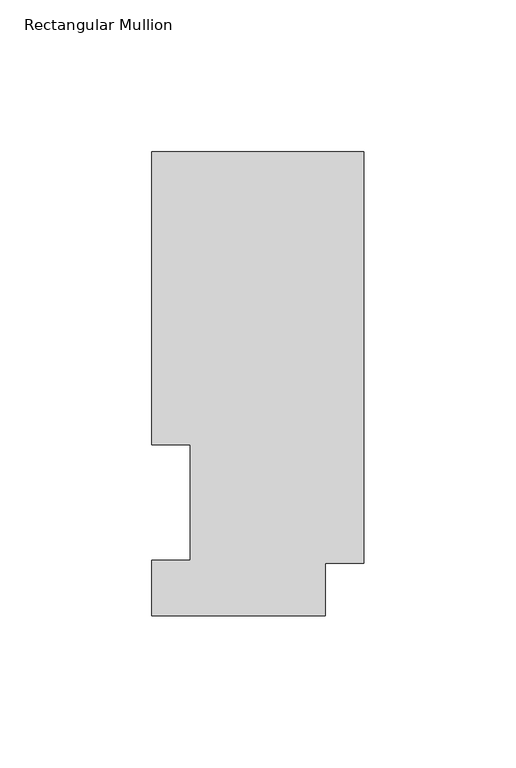
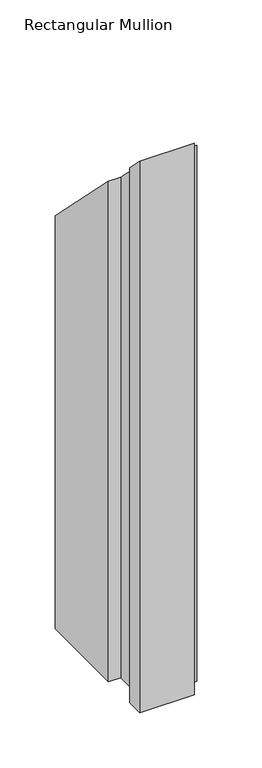
"""IFC4 building model written with IfcOpenShell, lengths in millimetres: member geometry, Rectangular Mullion."""

import ifcopenshell
import ifcopenshell.guid

model = None  # the IFC model being written
_history = None  # IfcOwnerHistory: only IFC2X3 demands one
_inside = {}  # id of a spatial element -> (the spatial element, [elements in it])
_under = {}  # id of a project, library or spatial element -> (it, [spatial elements below it])
_declared = {}  # id of a project -> (the project, [libraries it declares])
_typed = {}  # id of a type object -> (the type object, [elements of that type])
_made_of = {}  # id of a material, layer set ... -> (it, [elements and type objects made of it])


def new_model(schema):
    """Start an empty IFC model of exactly this schema.

    Asked for "IFC4X3", IfcOpenShell would pick the latest addendum, in which some entities
    have other attributes; the version numbers below select the first issue.
    IFC2X3 requires an IfcOwnerHistory on every rooted entity: one is made here for all.
    """
    global model, _history
    if schema == "IFC4X3":
        model = ifcopenshell.file(schema_version=(4, 3, 0, 0))
    else:
        model = ifcopenshell.file(schema=schema)
    _inside.clear()
    _under.clear()
    _declared.clear()
    _typed.clear()
    _made_of.clear()
    _history = None
    if model.schema == "IFC2X3":
        org = make("IfcOrganization", Name="unknown")
        user = make(
            "IfcPersonAndOrganization",
            ThePerson=make("IfcPerson", FamilyName="unknown"),
            TheOrganization=org,
        )
        app = make(
            "IfcApplication",
            ApplicationDeveloper=org,
            Version="unknown",
            ApplicationFullName="unknown",
            ApplicationIdentifier="unknown",
        )
        _history = make(
            "IfcOwnerHistory",
            OwningUser=user,
            OwningApplication=app,
            ChangeAction="ADDED",
            CreationDate=0,
        )
    return model


def make(cls, **values):
    """One entity of the class cls with the attributes given. An attribute that is None is left unset."""
    return model.create_entity(
        cls, **{name: value for name, value in values.items() if value is not None}
    )


def rooted(cls, **values):
    """An entity with a GlobalId (a new one), such as an element, a storey or a relation."""
    return make(cls, GlobalId=ifcopenshell.guid.new(), OwnerHistory=_history, **values)


def si_unit(unit_type, name, prefix=None):
    """IfcSIUnit, for example si_unit("LENGTHUNIT", "METRE", prefix="MILLI")."""
    return make("IfcSIUnit", UnitType=unit_type, Prefix=prefix, Name=name)


def assignment(units):
    """IfcUnitAssignment: the units of a project."""
    return None if units is None else make("IfcUnitAssignment", Units=units)


def point(xyz):
    """IfcCartesianPoint."""
    return None if xyz is None else make("IfcCartesianPoint", Coordinates=xyz)


def direction(xyz):
    """IfcDirection."""
    return None if xyz is None else make("IfcDirection", DirectionRatios=xyz)


def frame(location, z_axis=None, x_axis=None):
    """IfcAxis2Placement3D, a coordinate frame: its origin and axes. An axis left out is left unset."""
    return make(
        "IfcAxis2Placement3D",
        Location=point(location),
        Axis=direction(z_axis),
        RefDirection=direction(x_axis),
    )


def origin():
    """The frame at (0, 0, 0) with its axes left unset."""
    return frame((0.0, 0.0, 0.0))


def place(relative_to, where):
    """IfcLocalPlacement: puts the frame where relative to a parent placement (None: the world)."""
    return make(
        "IfcLocalPlacement", PlacementRelTo=relative_to, RelativePlacement=where
    )


def context(
    kind, dimensions, precision=None, world=None, true_north=None, identifier=None
):
    """IfcGeometricRepresentationContext, for example the 3D "Model" context."""
    return make(
        "IfcGeometricRepresentationContext",
        ContextIdentifier=identifier,
        ContextType=kind,
        CoordinateSpaceDimension=dimensions,
        Precision=precision,
        WorldCoordinateSystem=world,
        TrueNorth=true_north,
    )


def project(units=None, contexts=None):
    """IfcProject with its units and contexts."""
    return rooted(
        "IfcProject",
        Name="project",
        RepresentationContexts=contexts,
        UnitsInContext=assignment(units),
    )


def spatial(cls, under=None, at=None, **own):
    """A site, building, storey or space (cls), placed at a placement, below another one or the project."""
    s = rooted(cls, ObjectPlacement=at, **own)
    if under is not None:
        _under.setdefault(under.id(), (under, []))[1].append(s)
    return s


def faces_of(points, faces, orient=None, outer=None):
    """IfcFace entities. A face is a list of loops; a loop is a list of indices into points, from 0.

    orient and outer hold one flag for each loop. By default every Orientation is true, the
    first loop of a face is its IfcFaceOuterBound and the others are IfcFaceBound.
    """
    made = []
    for i, loops in enumerate(faces):
        bounds = []
        for j, loop in enumerate(loops):
            is_outer = j == 0 if outer is None else outer[i][j]
            bounds.append(
                make(
                    "IfcFaceOuterBound" if is_outer else "IfcFaceBound",
                    Bound=make("IfcPolyLoop", Polygon=[points[k] for k in loop]),
                    Orientation=True if orient is None else orient[i][j],
                )
            )
        made.append(make("IfcFace", Bounds=bounds))
    return made


def faceted_brep(points, faces, orient=None, outer=None, voids=None):
    """IfcFacetedBrep: a solid bounded by flat faces; with voids (closed shells), ...WithVoids."""
    shared = [point(p) for p in points]
    hull = make("IfcClosedShell", CfsFaces=faces_of(shared, faces, orient, outer))
    if voids is None:
        return make("IfcFacetedBrep", Outer=hull)
    return make(
        "IfcFacetedBrepWithVoids",
        Outer=hull,
        Voids=[
            make(cls, CfsFaces=faces_of(shared, fs, o, b)) for cls, fs, o, b in voids
        ],
    )


def shape(context_of_items, identifier, shape_type, items):
    """IfcShapeRepresentation: the items that make up one representation, for example the "Body"."""
    return make(
        "IfcShapeRepresentation",
        ContextOfItems=context_of_items,
        RepresentationIdentifier=identifier,
        RepresentationType=shape_type,
        Items=items,
    )


def source(mapping_origin, context_of_items, identifier, shape_type, items):
    """IfcRepresentationMap: a shape defined once, which mapped items show again and again."""
    return make(
        "IfcRepresentationMap",
        MappingOrigin=mapping_origin,
        MappedRepresentation=shape(context_of_items, identifier, shape_type, items),
    )


def transform(
    local_origin,
    x_axis=None,
    y_axis=None,
    z_axis=None,
    scale=None,
    scale2=None,
    scale3=None,
    uniform=True,
):
    """IfcCartesianTransformationOperator3D, or its non-uniform kind. x_axis, y_axis, z_axis: its Axis1, 2, 3."""
    if uniform:
        return make(
            "IfcCartesianTransformationOperator3D",
            Axis1=direction(x_axis),
            Axis2=direction(y_axis),
            LocalOrigin=point(local_origin),
            Scale=scale,
            Axis3=direction(z_axis),
        )
    return make(
        "IfcCartesianTransformationOperator3DnonUniform",
        Axis1=direction(x_axis),
        Axis2=direction(y_axis),
        LocalOrigin=point(local_origin),
        Scale=scale,
        Axis3=direction(z_axis),
        Scale2=scale2,
        Scale3=scale3,
    )


def mapped(mapping_source, mapping_target):
    """IfcMappedItem: shows the shape of a source again, moved by a transform."""
    return make(
        "IfcMappedItem", MappingSource=mapping_source, MappingTarget=mapping_target
    )


def made_of(thing, what):
    """Note that an element or type object is made of a material, layer set ...; save() writes the relation."""
    if what is not None:
        _made_of.setdefault(what.id(), (what, []))[1].append(thing)
    return thing


def element(
    cls,
    number,
    at=None,
    inside=None,
    cuts=None,
    type_object=None,
    material=None,
    context=None,
    identifier="Body",
    shape_type=None,
    held_by="IfcProductDefinitionShape",
    body=None,
    shapes=None,
    **own,
):
    """One element of the class cls, such as IfcWall. Its Tag is "e" and its number.

    at: its placement. inside: the storey or other place that contains it. cuts: it is an
    opening in that element (IfcRelVoidsElement). A single representation is given by context,
    identifier, shape_type and body (its items); several are given by shapes. held_by: the class
    of the entity that holds the representations. save() writes the other relations.
    """
    e = rooted(cls, Tag="e%d" % number, ObjectPlacement=at, **own)
    if body is not None:
        shapes = [shape(context, identifier, shape_type, body)]
    if shapes is not None:
        e.Representation = make(held_by, Representations=shapes)
    if inside is not None:
        _inside.setdefault(inside.id(), (inside, []))[1].append(e)
    if cuts is not None:
        rooted(
            "IfcRelVoidsElement", RelatingBuildingElement=cuts, RelatedOpeningElement=e
        )
    if type_object is not None:
        _typed.setdefault(type_object.id(), (type_object, []))[1].append(e)
    return made_of(e, material)


def aggregate(whole, parts):
    """IfcRelAggregates: a whole, such as a stair, and the parts it consists of."""
    return rooted("IfcRelAggregates", RelatingObject=whole, RelatedObjects=parts)


def save(model, path):
    """Write the relations noted so far, then the file.

    IfcRelAggregates (storeys below a building ...), IfcRelContainedInSpatialStructure (elements
    in a storey), IfcRelDefinesByType, IfcRelAssociatesMaterial and IfcRelDeclares: one each for
    every whole, place, type object, material and project.
    """
    for whole, parts in _under.values():
        aggregate(whole, parts)
    for where, things in _inside.values():
        rooted(
            "IfcRelContainedInSpatialStructure",
            RelatedElements=things,
            RelatingStructure=where,
        )
    for kind, things in _typed.values():
        rooted("IfcRelDefinesByType", RelatedObjects=things, RelatingType=kind)
    for what, things in _made_of.values():
        rooted("IfcRelAssociatesMaterial", RelatedObjects=things, RelatingMaterial=what)
    for by, libraries in _declared.values():
        rooted("IfcRelDeclares", RelatingContext=by, RelatedDefinitions=libraries)
    model.write(path)


def rectangular_mullion_e4a562a6(model_context):
    return source(origin(), model_context, "Body", "Brep", [
        faceted_brep([(0.0, 152.7492337, -609.6), (0.0, 17.2502333, -609.6), (-12.7, 17.2502333, -609.6), (-12.7, -0.0317663, -609.6), (-69.85, -0.0317663, -609.6), (-69.85, 18.2562337, -609.6), (-57.15, 18.2562337, -609.6), (-57.15, 56.3562337, -609.6), (-69.85, 56.3562337, -609.6), (-69.85, 152.7492337, -609.6), (-69.85, 152.7492337, -152.7492337), (0.0, 152.7492337, -152.7492337), (-69.85, 56.3562337, -56.3562337), (-57.15, 56.3562337, -56.3562337), (-57.15, 18.2562337, -18.2562337), (-69.85, 18.2562337, -18.2562337), (-69.85, -0.0317663, 0.0317663), (-12.7, -0.0317663, 0.0317663), (-12.7, 17.2502333, -17.2502333), (0.0, 17.2502333, -17.2502333)], [[[0, 1, 2, 3, 4, 5, 6, 7, 8, 9]], [[10, 11, 0, 9]], [[12, 10, 9, 8]], [[13, 12, 8, 7]], [[14, 13, 7, 6]], [[15, 14, 6, 5]], [[16, 15, 5, 4]], [[17, 16, 4, 3]], [[18, 17, 3, 2]], [[19, 18, 2, 1]], [[11, 19, 1, 0]], [[11, 10, 12, 13, 14, 15, 16, 17, 18, 19]]]),
    ])


if __name__ == "__main__":
    model = new_model("IFC4")
    model_context = context("Model", 3, world=origin())
    ifc_project = project(units=[si_unit("LENGTHUNIT", "METRE", prefix="MILLI")], contexts=[model_context])
    site = spatial("IfcSite", under=ifc_project)
    building = spatial("IfcBuilding", under=site)
    placement = place(None, origin())
    rectangular_mullion_shape = rectangular_mullion_e4a562a6(model_context)
    element("IfcMember", 1, ObjectType="Rectangular Mullion", at=placement, inside=building, context=model_context, shape_type="MappedRepresentation", body=[
        mapped(rectangular_mullion_shape, transform((0.0, 0.0, 0.0), x_axis=(1.0, 0.0, 0.0), y_axis=(0.0, 1.0, 0.0), z_axis=(0.0, 0.0, 1.0))),
    ])
    save(model, "model.ifc")
